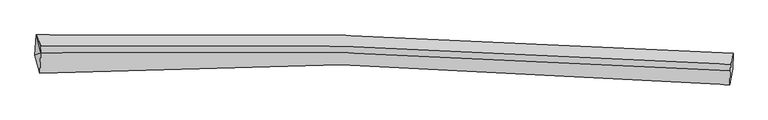
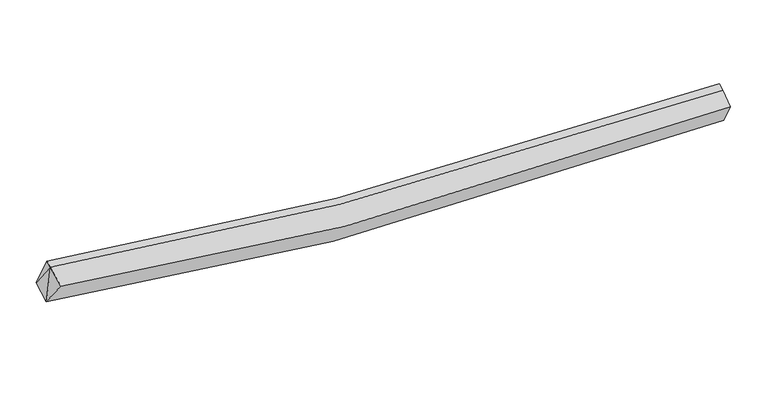
"""IFC4 building model written with IfcOpenShell, lengths in millimetres: proxy geometry."""

from ifc_helpers import new_model, si_unit, frame, origin, place, context, project, spatial, source, transform, mapped, element, save
from ifc_brep_helpers import plane_surface, spline_curve, spline_surface, advanced_brep


def generic_models_2a490767(model_context):
    return source(origin(), model_context, "Body", "AdvancedBrep", [
        advanced_brep(
        [(-6999.8882851, -2019.1602333, 3200.2082087), (-6970.6518362, -1568.4864172, 3376.5469122), (8474.0310676, -1975.4208663, 2584.1463972), (8463.300208, -2313.31241, 2388.0479761), (-6891.0773235, -2414.4017073, 3782.4580062), (8404.084848, -2674.8275694, 2960.9356882), (-6873.8077039, -1963.2352086, 3961.1490806), (8411.6964491, -2365.9505851, 3176.2325596), (-6867.2197564, -1814.1865737, 4017.2440234), (8418.2843965, -2216.9019502, 3232.3275025)],
        [
            (0, 1),
            (1, 2, spline_curve(3, [(-6970.6518362, -1568.4864172, 3376.5469122), (-4737.233926335, -1523.33040813, 2987.465354158), (-2493.722645078, -1524.023893411, 2718.175716507), (2648.020940088, -1630.214687578, 2377.08708313), (5552.737293731, -1765.166019531, 2382.243215791), (8474.0310676, -1975.4208663, 2584.1463972)], [4, 2, 4], [0.0, 22.32470581809568, 50.93524847620898])),
            (2, 3),
            (3, 0, spline_curve(3, [(8463.300208, -2313.31241, 2388.0479761), (5525.977249814, -2039.680903449, 2065.707937165), (2612.289129418, -1888.813220538, 2009.842974932), (-2532.862565483, -1838.780016636, 2384.791420864), (-4773.570609508, -1891.596974391, 2711.376460545), (-6999.8882851, -2019.1602333, 3200.2082087)], [4, 2, 4], [0.0, 28.610542658113303, 50.93524847620898])),
            (4, 0),
            (3, 5),
            (5, 4, spline_curve(3, [(8404.084848, -2674.8275694, 2960.9356882), (5515.102118186, -2396.308775672, 2634.454001633), (2640.272735076, -2246.846030085, 2577.758388155), (-2452.578752367, -2210.516055827, 2957.122583527), (-4676.136759878, -2273.170181316, 3287.658969743), (-6891.0773235, -2414.4017073, 3782.4580062)], [4, 2, 4], [0.0, 28.504735589035324, 50.74688052323351])),
            (6, 4),
            (5, 7),
            (7, 6, spline_curve(3, [(8411.6964491, -2365.9505851, 3176.2325596), (5544.632401882, -2158.024989383, 2974.149489426), (2680.425625434, -2024.538281792, 2968.127416699), (-2413.624841412, -1919.415655699, 3306.453046012), (-4644.586114637, -1918.663904365, 3574.11395897), (-6873.8077039, -1963.2352086, 3961.1490806)], [4, 2, 4], [0.0, 28.31103908006858, 50.4020433095151])),
            (8, 6),
            (7, 9),
            (9, 8, spline_curve(3, [(8418.2843965, -2216.9019502, 3232.3275025), (5551.220349397, -2008.976354175, 3030.244432906), (2687.013572732, -1875.489646856, 3024.222360101), (-2407.036893932, -1770.367020827, 3362.547988342), (-4637.998167601, -1769.61526962, 3630.208901682), (-6867.2197564, -1814.1865737, 4017.2440234)], [4, 2, 4], [0.0, 28.291421046788212, 50.36711739385909])),
            (1, 8),
            (9, 2),
            (1, 6),
            (6, 0),
        ],
        [
            spline_surface(3, 3, [[(-6999.8882851, -2019.1602333, 3200.2082087), (-4773.570609758, -1891.596974733, 2711.376460551), (-2532.862565728, -1838.780016972, 2384.791420745), (2612.289129732, -1888.813220107, 2009.842975084), (5525.977250127, -2039.680903385, 2065.707937334), (8463.300208, -2313.31241, 2388.0479761)], [(-6990.142802158, -1868.93562793, 3258.987776547), (-4761.458381975, -1768.841452405, 2803.406091865), (-2519.815925573, -1733.861309001, 2495.919519388), (2624.199733244, -1802.613709416, 2132.257677697), (5534.897264688, -1948.175941936, 2171.219696793), (8466.877161204, -2200.681895427, 2453.414116473)], [(-6980.397319142, -1718.71102257, 3317.767344353), (-4749.346154117, -1646.085930086, 2895.435723137), (-2506.769285393, -1628.942601029, 2607.047618029), (2636.110336781, -1716.414198723, 2254.672380307), (5543.817279237, -1856.670980505, 2276.731456233), (8470.454114396, -2088.051380873, 2518.780256827)], [(-6970.6518362, -1568.4864172, 3376.5469122), (-4737.233926334, -1523.330407758, 2987.465354451), (-2493.722645238, -1524.023893057, 2718.175716672), (2648.020940293, -1630.214688032, 2377.087082919), (5552.737293798, -1765.166019056, 2382.243215692), (8474.0310676, -1975.4208663, 2584.1463972)]], [4, 4], [4, 2, 4], [0.0, 1.4834902221967783], [0.0, 22.32470581809568, 50.93524847620898]),
            spline_surface(3, 3, [[(-6891.0773235, -2414.4017073, 3782.4580062), (-4676.136759647, -2273.170181238, 3287.658969714), (-2452.578752299, -2210.516055883, 2957.122583505), (2640.272734989, -2246.846030013, 2577.758388183), (5515.10211818, -2396.308776087, 2634.454001714), (8404.084848, -2674.8275694, 2960.9356882)], [(-6927.347644023, -2282.654549283, 3588.374740353), (-4708.614709673, -2145.979112387, 3095.56479998), (-2479.340023423, -2086.604042915, 2766.345529253), (2630.944866589, -2127.501760047, 2388.453250485), (5518.727162163, -2277.432818537, 2444.871980246), (8423.823301334, -2554.322516284, 2769.973117492)], [(-6963.617964577, -2150.907391317, 3394.291474547), (-4741.092659732, -2018.788043584, 2903.470630285), (-2506.101294605, -1962.69202994, 2575.568474997), (2621.616998131, -2008.157490074, 2199.148112782), (5522.352206144, -2158.556860935, 2255.289958802), (8443.561754666, -2433.817463116, 2579.010546808)], [(-6999.8882851, -2019.1602333, 3200.2082087), (-4773.570609758, -1891.596974733, 2711.376460551), (-2532.862565728, -1838.780016972, 2384.791420745), (2612.289129732, -1888.813220107, 2009.842975084), (5525.977250127, -2039.680903385, 2065.707937334), (8463.300208, -2313.31241, 2388.0479761)]], [4, 4], [4, 2, 4], [0.0, 2.22244317299363], [0.0, 22.242144934198183, 50.74688052323351]),
            spline_surface(3, 3, [[(-6873.8077039, -1963.2352086, 3961.1490806), (-4644.586114767, -1918.663904715, 3574.113958759), (-2413.624841058, -1919.415655802, 3306.453045715), (2680.425624981, -2024.538281659, 2968.12741708), (5544.632402313, -2158.024989412, 2974.149489776), (8411.6964491, -2365.9505851, 3176.2325596)], [(-6879.56424378, -2113.624041496, 3901.585389139), (-4655.102996407, -2036.832663552, 3478.628962416), (-2426.609478138, -2016.44912248, 3190.009558316), (2667.041328318, -2098.640864428, 2838.004407452), (5534.788974257, -2237.452918294, 2860.917660426), (8409.159248721, -2468.909579857, 3104.466935804)], [(-6885.32078362, -2264.012874404, 3842.021697661), (-4665.619878007, -2155.001422401, 3383.143966057), (-2439.59411522, -2113.482589205, 3073.566070904), (2653.657031652, -2172.743447244, 2707.881397811), (5524.945546236, -2316.880847205, 2747.685831064), (8406.622048379, -2571.868574643, 3032.701311996)], [(-6891.0773235, -2414.4017073, 3782.4580062), (-4676.136759647, -2273.170181238, 3287.658969714), (-2452.578752299, -2210.516055883, 2957.122583505), (2640.272734989, -2246.846030013, 2577.758388183), (5515.10211818, -2396.308776087, 2634.454001714), (8404.084848, -2674.8275694, 2960.9356882)]], [4, 4], [4, 2, 4], [0.0, 1.4771298791589527], [0.0, 22.091004229446522, 50.4020433095151]),
            spline_surface(3, 3, [[(-6867.2197564, -1814.1865737, 4017.2440234), (-4637.998167267, -1769.615269815, 3630.208901559), (-2407.036893658, -1770.367020902, 3362.547988515), (2687.013572381, -1875.489646759, 3024.22235988), (5551.220349713, -2008.976354512, 3030.244432676), (8418.2843965, -2216.9019502, 3232.3275025)], [(-6869.41573887, -1863.869452011, 3998.54570912), (-4640.194149737, -1819.298148125, 3611.510587279), (-2409.232876128, -1820.049899213, 3343.849674234), (2684.817589911, -1925.17252507, 3005.5240456), (5549.024367243, -2058.659232822, 3011.546118396), (8416.08841403, -2266.584828511, 3213.62918822)], [(-6871.61172143, -1913.552330289, 3979.84739488), (-4642.390132297, -1868.981026404, 3592.81227304), (-2411.428858588, -1869.732777492, 3325.151359995), (2682.621607451, -1974.855403348, 2986.82573136), (5546.828384783, -2108.342111101, 2992.847804057), (8413.89243157, -2316.267706789, 3194.93087388)], [(-6873.8077039, -1963.2352086, 3961.1490806), (-4644.586114767, -1918.663904715, 3574.113958759), (-2413.624841058, -1919.415655802, 3306.453045715), (2680.425624981, -2024.538281659, 2968.12741708), (5544.632402313, -2158.024989412, 2974.149489776), (8411.6964491, -2365.9505851, 3176.2325596)]], [4, 4], [4, 2, 4], [0.0, 0.5229368493919943], [0.0, 22.075696347070878, 50.36711739385909]),
            spline_surface(3, 3, [[(-6970.6518362, -1568.4864172, 3376.5469122), (-4737.233926334, -1523.330407758, 2987.465354451), (-2493.722645238, -1524.023893057, 2718.175716672), (2648.020940293, -1630.214688032, 2377.087082919), (5552.737293798, -1765.166019056, 2382.243215692), (8474.0310676, -1975.4208663, 2584.1463972)], [(-6936.174476269, -1650.38646938, 3590.112615941), (-4704.155339981, -1605.42536179, 3201.713203495), (-2464.82739472, -1606.138269008, 2932.96647396), (2661.018484314, -1711.973007609, 2592.798841913), (5552.231645781, -1846.436130862, 2598.243621332), (8455.448843911, -2055.914560921, 2800.206765612)], [(-6901.697116331, -1732.28652152, 3803.678319659), (-4671.07675362, -1687.520315783, 3415.961052515), (-2435.932144176, -1688.252644952, 3147.757231227), (2674.016028361, -1793.731327181, 2808.510600886), (5551.725997731, -1927.706242705, 2814.244027036), (8436.866620189, -2136.408255579, 3016.267134088)], [(-6867.2197564, -1814.1865737, 4017.2440234), (-4637.998167267, -1769.615269815, 3630.208901559), (-2407.036893658, -1770.367020902, 3362.547988515), (2687.013572381, -1875.489646759, 3024.22235988), (5551.220349713, -2008.976354512, 3030.244432676), (8418.2843965, -2216.9019502, 3232.3275025)]], [4, 4], [4, 2, 4], [0.0, 2.275246785322025], [0.0, 22.190409621067424, 50.62884308745356]),
            plane_surface(frame((8434.2793938, -2309.2826762, 2868.3380247), z_axis=(0.9959107792757724, -0.06687801872302727, 0.06073755291421091), x_axis=(-0.020212215064285756, -0.8202069345060627, -0.5717097611116699))),
            plane_surface(frame((-6903.8930988, -1781.9693998, 3784.9800054), z_axis=(-0.9879655578686224, -0.014294879317949573, 0.15401205436792098), x_axis=(0.1360142106958728, -0.554410927893576, 0.8210533828692035))),
            plane_surface(frame((-6921.5911041, -2132.2657164, 3647.9384318), z_axis=(-0.9858381662507042, -0.027767378104937554, 0.1653846506681514), x_axis=(0.1528053240989982, -0.5550451964499524, 0.8176645784335005))),
            plane_surface(frame((-6948.1159417, -1850.293953, 3512.6347338), z_axis=(-0.9865501681338116, 4.2422933123599516e-05, 0.16345875307074623), x_axis=(-0.060302876489058806, -0.9295563778001572, -0.3637148657646492))),
        ],
        [
            (0, [[1, 2, 3, 4]]),
            (1, [[5, -4, 6, 7]]),
            (2, [[8, -7, 9, 10]]),
            (3, [[11, -10, 12, 13]]),
            (4, [[14, -13, 15, -2]]),
            (5, [[-9, -6, -3, -15, -12]]),
            (6, [[16, -11, -14]]),
            (7, [[-5, -8, 17]]),
            (8, [[-1, -17, -16]]),
        ],
    ),
    ])


if __name__ == "__main__":
    model = new_model("IFC4")
    model_context = context("Model", 3, world=origin())
    ifc_project = project(units=[si_unit("LENGTHUNIT", "METRE", prefix="MILLI")], contexts=[model_context])
    site = spatial("IfcSite", under=ifc_project)
    building = spatial("IfcBuilding", under=site)
    placement = place(None, origin())
    generic_models_shape = generic_models_2a490767(model_context)
    element("IfcBuildingElementProxy", 1, Name="Generic Models", at=placement, inside=building, context=model_context, shape_type="MappedRepresentation", body=[
        mapped(generic_models_shape, transform((0.0, 0.0, 0.0), x_axis=(1.0, 0.0, 0.0), y_axis=(0.0, 1.0, 0.0), z_axis=(0.0, 0.0, 1.0))),
    ])
    save(model, "model.ifc")
